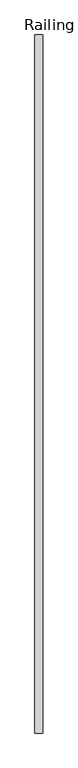
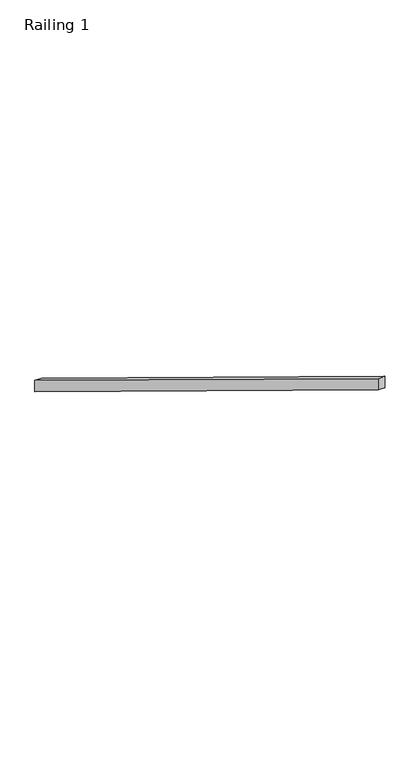
"""IFC4 building model written with IfcOpenShell, lengths in millimetres: railing geometry, Railing 1."""

from ifc_helpers import new_model, si_unit, frame, origin, place, context, project, spatial, polyline, outline, extrude, source, transform, mapped, element, save


def railing_1_1ce8d452(model_context):
    return source(origin(), model_context, "Body", "SweptSolid", [
        extrude(outline(polyline([(178822.6564205, 1228.4891807), (178822.6564205, 1139.2458145), (174352.2564205, 3864.5246025), (174352.2564205, 3953.7679687), (178822.6564205, 1228.4891807)])), frame((223282.6478488, 0.0, 0.0), z_axis=(1.0, 0.0, 0.0), x_axis=(0.0, 1.0, 0.0)), (0.0, 0.0, 1.0), 50.8),
    ])


if __name__ == "__main__":
    model = new_model("IFC4")
    model_context = context("Model", 3, world=origin())
    ifc_project = project(units=[si_unit("LENGTHUNIT", "METRE", prefix="MILLI")], contexts=[model_context])
    site = spatial("IfcSite", under=ifc_project)
    building = spatial("IfcBuilding", under=site)
    placement = place(None, origin())
    railing_1_shape = railing_1_1ce8d452(model_context)
    element("IfcRailing", 1, ObjectType="Railing 1", at=placement, inside=building, context=model_context, shape_type="MappedRepresentation", body=[
        mapped(railing_1_shape, transform((0.0, 0.0, 0.0), x_axis=(1.0, 0.0, 0.0), y_axis=(0.0, 1.0, 0.0), z_axis=(0.0, 0.0, 1.0))),
    ])
    save(model, "model.ifc")
